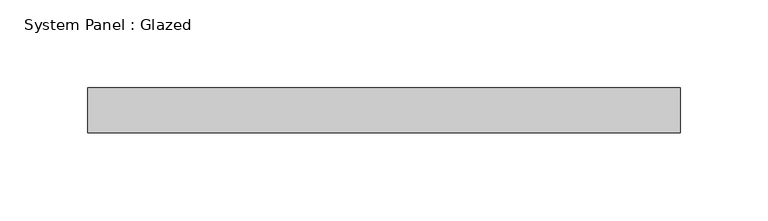
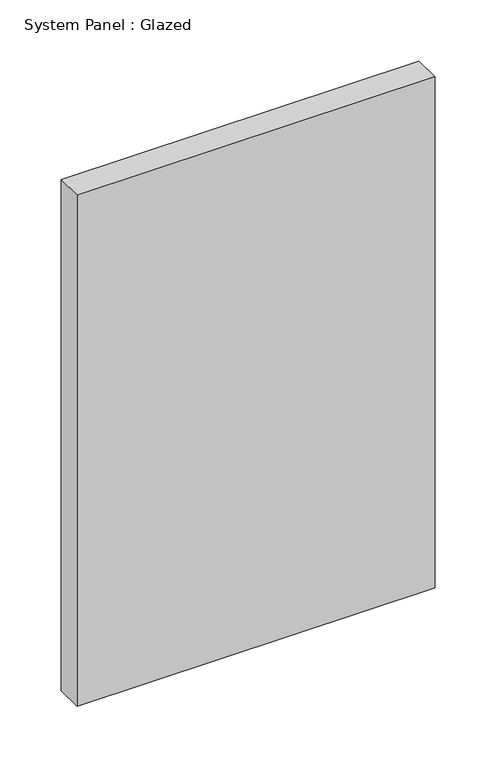
"""IFC4 building model written with IfcOpenShell, lengths in millimetres: plate geometry, System Panel : Glazed."""

from ifc_helpers import new_model, si_unit, origin, origin_with_axes, place, context, project, spatial, polyline, outline, extrude, source, transform, mapped, element, save


def system_panel_glazed_0e80dfe7(model_context):
    return source(origin(), model_context, "Body", "SweptSolid", [
        extrude(outline(polyline([(168.275, -12.7), (-168.275, -12.7), (-168.275, 12.7), (168.275, 12.7), (168.275, -12.7)])), origin_with_axes(), (0.0, 0.0, 1.0), 508.0),
    ])


if __name__ == "__main__":
    model = new_model("IFC4")
    model_context = context("Model", 3, world=origin())
    ifc_project = project(units=[si_unit("LENGTHUNIT", "METRE", prefix="MILLI")], contexts=[model_context])
    site = spatial("IfcSite", under=ifc_project)
    building = spatial("IfcBuilding", under=site)
    placement = place(None, origin())
    system_panel_glazed_shape = system_panel_glazed_0e80dfe7(model_context)
    element("IfcPlate", 1, ObjectType="System Panel : Glazed", at=placement, inside=building, context=model_context, shape_type="MappedRepresentation", body=[
        mapped(system_panel_glazed_shape, transform((0.0, 0.0, 0.0), x_axis=(1.0, 0.0, 0.0), y_axis=(0.0, 1.0, 0.0), z_axis=(0.0, 0.0, 1.0))),
    ])
    save(model, "model.ifc")
